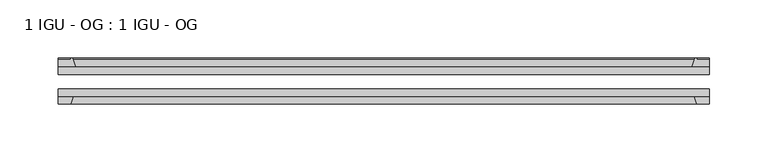
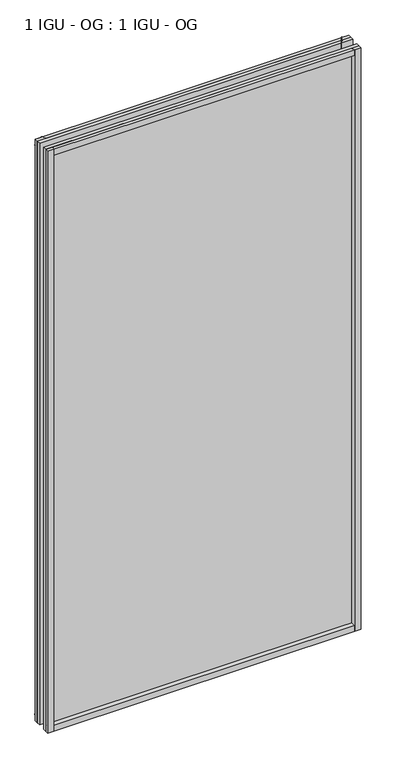
"""IFC4 building model written with IfcOpenShell, lengths in millimetres: plate geometry, 1 IGU - OG : 1 IGU - OG."""

from ifc_helpers import new_model, si_unit, point, frame, frame_2d, origin, place, context, project, spatial, polyline, circle_curve, trimmed, segment, composite_curve, outline, extrude, source, transform, mapped, element, save


def plate_1_igu_og_1_igu_og_3c550acd(model_context):
    return source(origin(), model_context, "Body", "SweptSolid", [
        extrude(outline(polyline([(300.0375, -31.75), (300.0375, -38.1), (-261.9375, -38.1), (-261.9375, -31.75), (300.0375, -31.75)])), frame((0.0, 0.0, -11.1125), z_axis=(0.0, 0.0, 1.0), x_axis=(1.0, 0.0, 0.0)), (0.0, 0.0, 1.0), 1101.7245636),
        extrude(outline(polyline([(-261.9375, -12.7), (300.0375, -12.7), (300.0375, -19.05), (-261.9375, -19.05), (-261.9375, -12.7)])), frame((0.0, 0.0, -11.1125), z_axis=(0.0, 0.0, 1.0), x_axis=(1.0, 0.0, 0.0)), (0.0, 0.0, 1.0), 1101.7245636),
        extrude(outline(composite_curve([segment(polyline([(-246.6017091, -12.7), (-261.9375, -12.7), (-261.9375, -6.35), (-250.825, -6.35), (-250.825, -4.7751661), (-249.895586, -4.7751661)]), True, "CONTINUOUS"), segment(trimmed(circle_curve(frame_2d((-249.895586, -5.5371661)), 0.762), [point((-249.895586, -4.7751661))], [point((-249.1533761, -5.364631))], False, "CARTESIAN"), True, "CONTINUOUS"), segment(trimmed(circle_curve(frame_2d((-213.5241579, 2.9177851)), 36.5792237), [point((-249.1533761, -5.364631))], [point((-246.6017091, -12.7))], True, "CARTESIAN"), True, "CONTINUOUS")], self_intersect=False)), frame((0.0, 0.0, -11.1125), z_axis=(0.0, 0.0, 1.0), x_axis=(1.0, 0.0, 0.0)), (0.0, 0.0, 1.0), 1101.7245636),
        extrude(outline(polyline([(-261.9375, -38.1), (-248.7197229, -38.1), (-250.825, -44.45), (-261.9375, -44.45), (-261.9375, -38.1)])), frame((0.0, 0.0, -11.1125), z_axis=(0.0, 0.0, 1.0), x_axis=(1.0, 0.0, 0.0)), (0.0, 0.0, 1.0), 1101.7245636),
        extrude(outline(composite_curve([segment(trimmed(circle_curve(frame_2d((287.995586, -5.5371661)), 0.762), [point((287.2533761, -5.364631))], [point((287.995586, -4.7751661))], False, "CARTESIAN"), True, "CONTINUOUS"), segment(polyline([(287.995586, -4.7751661), (288.925, -4.7751661), (288.925, -6.35), (300.0375, -6.35), (300.0375, -12.7), (284.7017091, -12.7)]), True, "CONTINUOUS"), segment(trimmed(circle_curve(frame_2d((251.6241579, 2.9177851)), 36.5792237), [point((284.7017091, -12.7))], [point((287.2533761, -5.364631))], True, "CARTESIAN"), True, "CONTINUOUS")], self_intersect=False)), frame((0.0, 0.0, -11.1125), z_axis=(0.0, 0.0, 1.0), x_axis=(1.0, 0.0, 0.0)), (0.0, 0.0, 1.0), 1101.7245636),
        extrude(outline(polyline([(286.8197229, -38.1), (300.0375, -38.1), (300.0375, -44.45), (288.925, -44.45), (286.8197229, -38.1)])), frame((0.0, 0.0, -11.1125), z_axis=(0.0, 0.0, 1.0), x_axis=(1.0, 0.0, 0.0)), (0.0, 0.0, 1.0), 1101.7245636),
        extrude(outline(composite_curve([segment(polyline([(-12.7, -11.1125), (-12.7, 4.2232909)]), True, "CONTINUOUS"), segment(trimmed(circle_curve(frame_2d((2.9177851, 37.3008421)), 36.5792237), [point((-12.7, 4.2232909))], [point((-5.364631, 1.6716239))], True, "CARTESIAN"), True, "CONTINUOUS"), segment(trimmed(circle_curve(frame_2d((-5.5371661, 0.929414)), 0.762), [point((-5.364631, 1.6716239))], [point((-4.7751661, 0.929414))], False, "CARTESIAN"), True, "CONTINUOUS"), segment(polyline([(-4.7751661, 0.929414), (-4.7751661, 0.0), (-6.35, 0.0), (-6.35, -11.1125), (-12.7, -11.1125)]), True, "CONTINUOUS")], self_intersect=False)), frame((-261.9375, 0.0, 0.0), z_axis=(1.0, 0.0, 0.0), x_axis=(0.0, 1.0, 0.0)), (0.0, 0.0, 1.0), 561.975),
        extrude(outline(polyline([(-38.1, 2.1052771), (-38.1, -11.1125), (-44.45, -11.1125), (-44.45, 0.0), (-38.1, 2.1052771)])), frame((-261.9375, 0.0, 0.0), z_axis=(1.0, 0.0, 0.0), x_axis=(0.0, 1.0, 0.0)), (0.0, 0.0, 1.0), 561.975),
        extrude(outline(composite_curve([segment(trimmed(circle_curve(frame_2d((2.9177851, 1042.1987214)), 36.5792237), [point((-5.364631, 1077.8279397))], [point((-12.7, 1075.2762727))], True, "CARTESIAN"), True, "CONTINUOUS"), segment(polyline([(-12.7, 1075.2762727), (-12.7, 1090.6120636), (-6.35, 1090.6120636), (-6.35, 1079.4995636), (-4.7751661, 1079.4995636), (-4.7751661, 1078.5701496)]), True, "CONTINUOUS"), segment(trimmed(circle_curve(frame_2d((-5.5371661, 1078.5701496)), 0.762), [point((-4.7751661, 1078.5701496))], [point((-5.364631, 1077.8279397))], False, "CARTESIAN"), True, "CONTINUOUS")], self_intersect=False)), frame((-261.9375, 0.0, 0.0), z_axis=(1.0, 0.0, 0.0), x_axis=(0.0, 1.0, 0.0)), (0.0, 0.0, 1.0), 561.975),
        extrude(outline(polyline([(-38.1, 1090.6120636), (-38.1, 1077.3942865), (-44.45, 1079.4995636), (-44.45, 1090.6120636), (-38.1, 1090.6120636)])), frame((-261.9375, 0.0, 0.0), z_axis=(1.0, 0.0, 0.0), x_axis=(0.0, 1.0, 0.0)), (0.0, 0.0, 1.0), 561.975),
    ])


if __name__ == "__main__":
    model = new_model("IFC4")
    model_context = context("Model", 3, world=origin())
    ifc_project = project(units=[si_unit("LENGTHUNIT", "METRE", prefix="MILLI")], contexts=[model_context])
    site = spatial("IfcSite", under=ifc_project)
    building = spatial("IfcBuilding", under=site)
    placement = place(None, origin())
    plate_1_igu_og_1_igu_og_shape = plate_1_igu_og_1_igu_og_3c550acd(model_context)
    element("IfcPlate", 1, ObjectType="1 IGU - OG : 1 IGU - OG", at=placement, inside=building, context=model_context, shape_type="MappedRepresentation", body=[
        mapped(plate_1_igu_og_1_igu_og_shape, transform((0.0, 0.0, 0.0), x_axis=(1.0, 0.0, 0.0), y_axis=(0.0, 1.0, 0.0), z_axis=(0.0, 0.0, 1.0))),
    ])
    save(model, "model.ifc")
